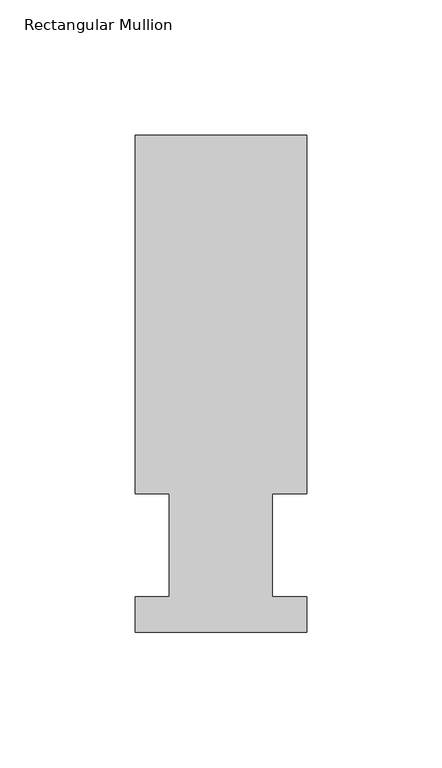
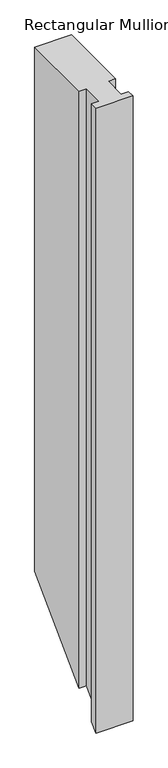
"""IFC4 building model written with IfcOpenShell, lengths in millimetres: member geometry, Rectangular Mullion."""

from ifc_helpers import new_model, si_unit, origin, place, context, project, spatial, faceted_brep, source, transform, mapped, element, save


def rectangular_mullion_36c954b2(model_context):
    return source(origin(), model_context, "Body", "Brep", [
        faceted_brep([(0.0, 184.2396937, 0.0), (-63.5127, 184.2396938, 0.0), (-63.5127, 51.2960938, 0.0), (-50.8127001, 51.2960938, 0.0), (-50.8127001, 13.1960938, 0.0), (-63.5000001, 13.1960938, 0.0), (-63.5000001, 0.0134938, 0.0), (0.0, 0.0134938, 0.0), (0.0, 13.1960938, 0.0), (-12.6873001, 13.1960938, 0.0), (-12.6873001, 51.2960938, 0.0), (0.0, 51.2960938, 0.0), (0.0, 51.2960938, -1091.7174), (0.0, 184.2396937, -958.7738), (-12.6873001, 51.2960938, -1091.7174), (-12.6873001, 13.1960938, -1129.8174), (0.0, 13.1960938, -1129.8174), (0.0, 0.0134938, -1143.0), (-63.5000001, 0.0134938, -1143.0), (-63.5000001, 13.1960938, -1129.8174), (-50.8127001, 13.1960938, -1129.8174), (-50.8127001, 51.2960938, -1091.7174), (-63.5127, 51.2960938, -1091.7174), (-63.5127, 184.2396938, -958.7738)], [[[0, 1, 2, 3, 4, 5, 6, 7, 8, 9, 10, 11]], [[0, 11, 12, 13]], [[11, 10, 14, 12]], [[10, 9, 15, 14]], [[9, 8, 16, 15]], [[8, 7, 17, 16]], [[7, 6, 18, 17]], [[6, 5, 19, 18]], [[5, 4, 20, 19]], [[4, 3, 21, 20]], [[3, 2, 22, 21]], [[2, 1, 23, 22]], [[1, 0, 13, 23]], [[13, 12, 14, 15, 16, 17, 18, 19, 20, 21, 22, 23]]]),
    ])


if __name__ == "__main__":
    model = new_model("IFC4")
    model_context = context("Model", 3, world=origin())
    ifc_project = project(units=[si_unit("LENGTHUNIT", "METRE", prefix="MILLI")], contexts=[model_context])
    site = spatial("IfcSite", under=ifc_project)
    building = spatial("IfcBuilding", under=site)
    placement = place(None, origin())
    rectangular_mullion_shape = rectangular_mullion_36c954b2(model_context)
    element("IfcMember", 1, ObjectType="Rectangular Mullion", at=placement, inside=building, context=model_context, shape_type="MappedRepresentation", body=[
        mapped(rectangular_mullion_shape, transform((0.0, 0.0, 0.0), x_axis=(1.0, 0.0, 0.0), y_axis=(0.0, 1.0, 0.0), z_axis=(0.0, 0.0, 1.0))),
    ])
    save(model, "model.ifc")
